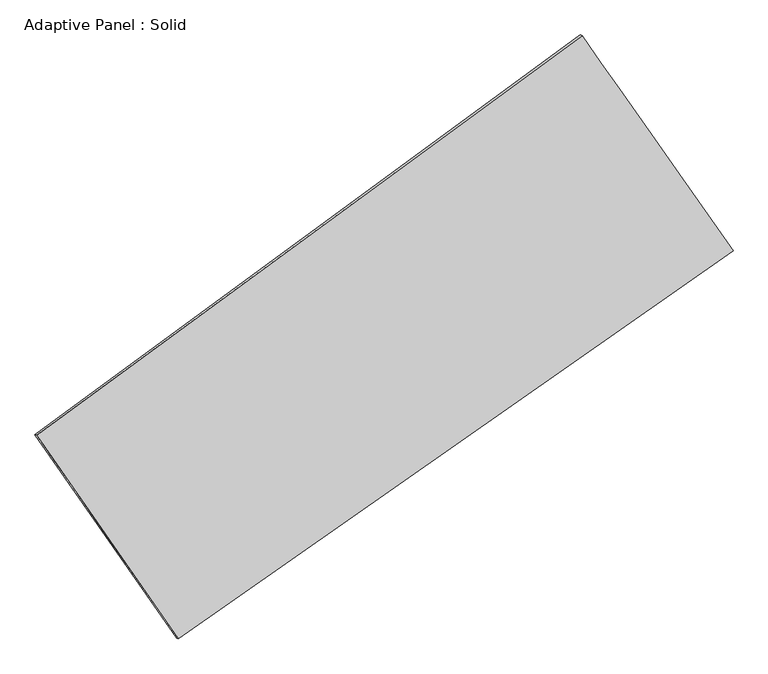
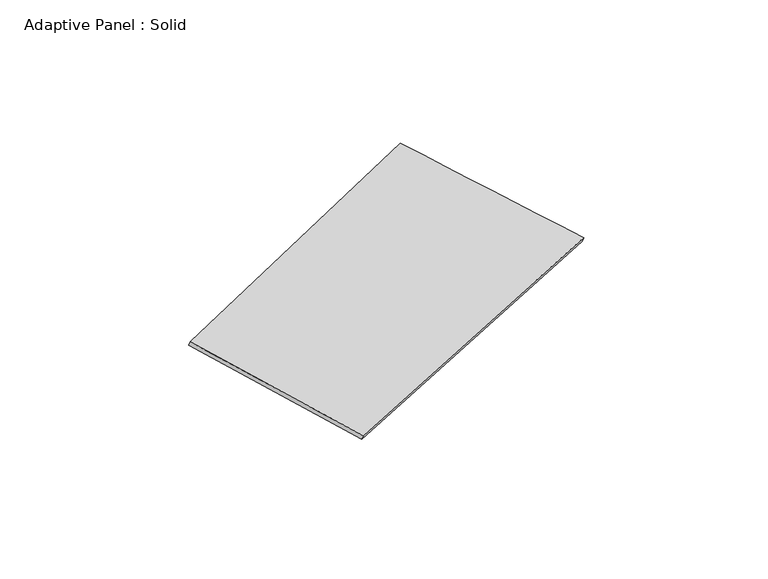
"""IFC4 building model written with IfcOpenShell, lengths in millimetres: plate geometry, Adaptive Panel : Solid."""

from ifc_helpers import new_model, si_unit, frame, origin, place, context, project, spatial, source, transform, mapped, element, save
from ifc_brep_helpers import plane_surface, spline_surface, advanced_brep


def adaptive_panel_solid_3a963ee1(model_context):
    return source(origin(), model_context, "Body", "AdvancedBrep", [
        advanced_brep(
        [(1059.8597917, 2509.9214526, 679.5657551), (-3616.2948294, -916.7709053, 1693.6977263), (-3601.6284736, -923.1509987, 1741.0706343), (1074.5261475, 2503.5413592, 726.9386632), (-2401.8544394, -2661.3282718, 1054.1277809), (-2387.1880836, -2667.7083653, 1101.5006889), (2354.998899, 667.9291516, 57.7312579), (2369.6652548, 661.5490581, 105.1041659)],
        [
            (0, 1),
            (1, 2),
            (2, 3),
            (3, 0),
            (1, 4),
            (4, 5),
            (5, 2),
            (4, 6),
            (6, 7),
            (7, 5),
            (6, 0),
            (3, 7),
        ],
        [
            plane_surface(frame((-1278.2175189, 796.5752737, 1186.6317407), z_axis=(-0.529668537784438, 0.8033502352421726, 0.27217575134027155), x_axis=(-0.794544201168171, -0.5822430528432121, 0.17231523381828276))),
            plane_surface(frame((-3009.0746344, -1789.0495885, 1373.9127536), z_axis=(-0.7814467437077606, -0.602914872200888, 0.16073158876687654), x_axis=(0.5471009737748551, -0.7859167414534025, -0.28812393166460654))),
            plane_surface(frame((-23.4277702, -996.6995601, 555.9295194), z_axis=(0.5138681534102433, -0.8146666279526975, -0.268808121549421), x_axis=(0.8074718657959654, 0.5651386561932192, -0.1691374743340607))),
            plane_surface(frame((1707.4293453, 1588.9253021, 368.6485065), z_axis=(0.7811009219872271, 0.6034090555412328, -0.16055796885094592), x_axis=(-0.5544207509698005, 0.7885166535615125, 0.2661937601639757))),
            spline_surface(1, 1, [[(-3601.6284736, -923.1509987, 1741.0706343), (1074.5261475, 2503.5413592, 726.9386632)], [(-2387.1880836, -2667.7083653, 1101.5006889), (2369.6652548, 661.5490581, 105.1041659)]], [2, 2], [2, 2], [0.0, 1.0], [0.0, 1.0]),
            spline_surface(1, 1, [[(2354.998899, 667.9291516, 57.7312579), (1059.8597917, 2509.9214526, 679.5657551)], [(-2401.8544394, -2661.3282718, 1054.1277809), (-3616.2948294, -916.7709053, 1693.6977263)]], [2, 2], [2, 2], [0.0, 1.0], [0.0, 1.0]),
        ],
        [
            (0, [[1, 2, 3, 4]]),
            (1, [[5, 6, 7, -2]]),
            (2, [[8, 9, 10, -6]]),
            (3, [[11, -4, 12, -9]]),
            (4, [[-3, -7, -10, -12]]),
            (5, [[-11, -8, -5, -1]]),
        ],
    ),
    ])


if __name__ == "__main__":
    model = new_model("IFC4")
    model_context = context("Model", 3, world=origin())
    ifc_project = project(units=[si_unit("LENGTHUNIT", "METRE", prefix="MILLI")], contexts=[model_context])
    site = spatial("IfcSite", under=ifc_project)
    building = spatial("IfcBuilding", under=site)
    placement = place(None, origin())
    adaptive_panel_solid_shape = adaptive_panel_solid_3a963ee1(model_context)
    element("IfcPlate", 1, ObjectType="Adaptive Panel : Solid", at=placement, inside=building, context=model_context, shape_type="MappedRepresentation", body=[
        mapped(adaptive_panel_solid_shape, transform((0.0, 0.0, 0.0), x_axis=(1.0, 0.0, 0.0), y_axis=(0.0, 1.0, 0.0), z_axis=(0.0, 0.0, 1.0))),
    ])
    save(model, "model.ifc")
